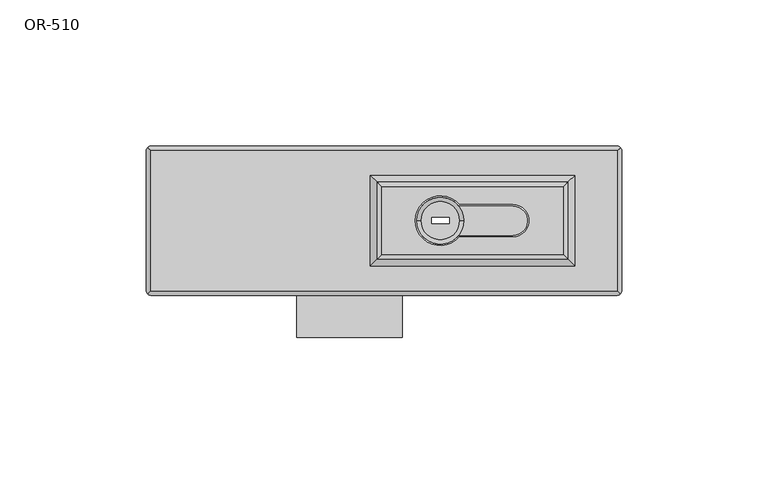
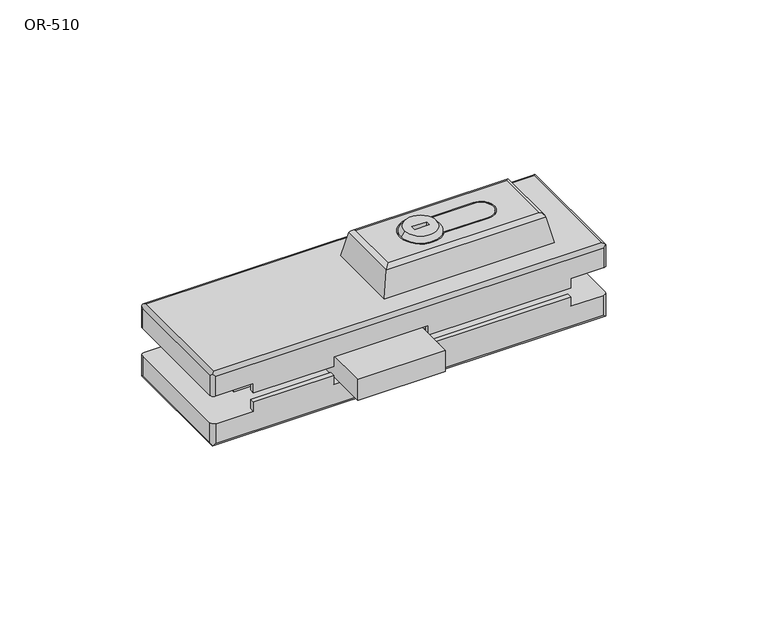
"""IFC4 building model written with IfcOpenShell, lengths in millimetres: proxy geometry, OR-510."""

from ifc_helpers import new_model, si_unit, point, frame, frame_2d, origin, place, context, project, spatial, polyline, circle_curve, ellipse_curve, trimmed, segment, composite_curve, outline, extrude, source, transform, mapped, element, save
from ifc_brep_helpers import plane_surface, cylinder_surface, revolved_surface, advanced_brep


def or_510_4e49e3fc(model_context):
    return source(origin(), model_context, "Body", "SolidModel", [
        extrude(outline(polyline([(6.0, 0.0), (6.0, -40.0), (-30.0, -40.0), (-30.0, 0.0), (6.0, 0.0)])), frame((0.0, 0.0, -10.5), z_axis=(0.0, 0.0, 1.0), x_axis=(1.0, 0.0, 0.0)), (0.0, 0.0, 1.0), 9.0),
        advanced_brep(
        [(25.5, 0.0, 24.0), (12.5, 0.0, 24.0), (16.0, -1.0, 24.0), (16.0, 1.0, 24.0), (22.0, 1.0, 24.0), (22.0, -1.0, 24.0), (27.0, 0.0, 22.0), (11.0, 0.0, 22.0), (22.0, -1.0, 22.0), (22.0, 1.0, 22.0), (16.0, 1.0, 22.0), (16.0, -1.0, 22.0)],
        [
            (0, 1, circle_curve(frame((19.0, 0.0, 24.0), z_axis=(0.0, 0.0, 1.0), x_axis=(-1.0, 0.0, 0.0)), 6.5)),
            (1, 0, circle_curve(frame((19.0, 0.0, 24.0), z_axis=(0.0, 0.0, 1.0), x_axis=(1.0, 0.0, 0.0)), 6.5)),
            (2, 3),
            (3, 4),
            (4, 5),
            (5, 2),
            (6, 7, circle_curve(frame((19.0, 0.0, 22.0), z_axis=(0.0, 0.0, -1.0), x_axis=(1.0, 0.0, 0.0)), 8.0)),
            (7, 6, circle_curve(frame((19.0, 0.0, 22.0), z_axis=(0.0, 0.0, -1.0), x_axis=(-1.0, 0.0, 0.0)), 8.0)),
            (8, 9),
            (9, 10),
            (10, 11),
            (11, 8),
            (0, 6),
            (7, 1),
            (11, 2),
            (5, 8),
            (4, 9),
            (3, 10),
        ],
        [
            plane_surface(frame((19.0, 0.0, 24.0), z_axis=(0.0, 0.0, 1.0), x_axis=(0.0, -1.0, 0.0))),
            plane_surface(frame((19.0, 0.0, 22.0), z_axis=(0.0, 0.0, -1.0), x_axis=(0.0, -1.0, 0.0))),
            revolved_surface(polyline([(25.5000000046875, 0.0, 24.0), (27.0, 0.0, 22.0)]), (19.0, 0.0, 32.6666667), (0.0, 0.0, -1.0)),
            revolved_surface(polyline([(12.4999999953125, 0.0, 24.0), (11.0, 0.0, 22.0)]), (19.0, 0.0, 32.6666667), (0.0, 0.0, -1.0)),
            plane_surface(frame((22.0, -1.0, 24.0), z_axis=(0.0, 1.0, 0.0), x_axis=(0.0, 0.0, -1.0))),
            plane_surface(frame((22.0, 1.0, 24.0), z_axis=(-1.0, 0.0, 0.0), x_axis=(0.0, 0.0, -1.0))),
            plane_surface(frame((16.0, 1.0, 24.0), z_axis=(0.0, -1.0, 0.0), x_axis=(0.0, 0.0, -1.0))),
            plane_surface(frame((16.0, -1.0, 24.0), z_axis=(1.0, 0.0, 0.0), x_axis=(0.0, 0.0, -1.0))),
        ],
        [
            (0, [[1, 2], [3, 4, 5, 6]]),
            (1, [[7, 8], [9, 10, 11, 12]]),
            (2, [[13, -8, 14, -1]]),
            (3, [[-14, -7, -13, -2]]),
            (4, [[-12, 15, -6, 16]]),
            (5, [[-5, 17, -9, -16]]),
            (6, [[-4, 18, -10, -17]]),
            (7, [[-3, -15, -11, -18]]),
        ],
    ),
        extrude(outline(composite_curve([segment(polyline([(43.8, -5.0), (25.244998, -5.0)]), True, "CONTINUOUS"), segment(trimmed(circle_curve(frame_2d((19.0, 0.0)), 8.0), [point((25.244998, -5.0))], [point((25.244998, 5.0))], False, "CARTESIAN"), True, "CONTINUOUS"), segment(polyline([(25.244998, 5.0), (43.8, 5.0)]), True, "CONTINUOUS"), segment(trimmed(circle_curve(frame_2d((43.8, 0.0)), 5.0), [point((43.8, 5.0))], [point((43.8, -5.0))], False, "CARTESIAN"), True, "CONTINUOUS")], self_intersect=False), holes=[polyline([(22.0, -1.0), (22.0, 1.0), (16.0, 1.0), (16.0, -1.0), (22.0, -1.0)])]), frame((0.0, 0.0, -24.0), z_axis=(0.0, 0.0, 1.0), x_axis=(1.0, 0.0, 0.0)), (0.0, 0.0, 1.0), 46.0),
        advanced_brep(
        [(19.0, -6.5, -26.0), (19.0, 6.5, -26.0), (22.0, -1.0, -26.0), (22.0, 1.0, -26.0), (16.0, 1.0, -26.0), (16.0, -1.0, -26.0), (19.0, -8.0, -24.0), (19.0, 8.0, -24.0), (16.0, -1.0, -24.0), (16.0, 1.0, -24.0), (22.0, 1.0, -24.0), (22.0, -1.0, -24.0)],
        [
            (0, 1, circle_curve(frame((19.0, 0.0, -26.0), z_axis=(0.0, 0.0, -1.0), x_axis=(0.0, 1.0, 0.0)), 6.5)),
            (1, 0, circle_curve(frame((19.0, 0.0, -26.0), z_axis=(0.0, 0.0, -1.0), x_axis=(0.0, -1.0, 0.0)), 6.5)),
            (2, 3),
            (3, 4),
            (4, 5),
            (5, 2),
            (6, 7, circle_curve(frame((19.0, 0.0, -24.0), z_axis=(0.0, 0.0, 1.0), x_axis=(0.0, -1.0, 0.0)), 8.0)),
            (7, 6, circle_curve(frame((19.0, 0.0, -24.0), z_axis=(0.0, 0.0, 1.0), x_axis=(0.0, 1.0, 0.0)), 8.0)),
            (8, 9),
            (9, 10),
            (10, 11),
            (11, 8),
            (0, 6),
            (7, 1),
            (5, 8),
            (11, 2),
            (10, 3),
            (9, 4),
        ],
        [
            plane_surface(frame((19.0, 0.0, -26.0), z_axis=(0.0, 0.0, -1.0), x_axis=(-1.0, 0.0, 0.0))),
            plane_surface(frame((19.0, 0.0, -24.0), z_axis=(0.0, 0.0, 1.0), x_axis=(-1.0, 0.0, 0.0))),
            revolved_surface(polyline([(19.0, -6.5000000046875, -26.0), (19.0, -8.0, -24.0)]), (19.0, 0.0, -34.6666667), (0.0, 0.0, 1.0)),
            revolved_surface(polyline([(19.0, 6.5000000046875, -26.0), (19.0, 8.0, -24.0)]), (19.0, 0.0, -34.6666667), (0.0, 0.0, 1.0)),
            plane_surface(frame((22.0, -1.0, 24.0), z_axis=(0.0, 1.0, 0.0), x_axis=(0.0, 0.0, -1.0))),
            plane_surface(frame((22.0, 1.0, 24.0), z_axis=(-1.0, 0.0, 0.0), x_axis=(0.0, 0.0, -1.0))),
            plane_surface(frame((16.0, 1.0, 24.0), z_axis=(0.0, -1.0, 0.0), x_axis=(0.0, 0.0, -1.0))),
            plane_surface(frame((16.0, -1.0, 24.0), z_axis=(1.0, 0.0, 0.0), x_axis=(0.0, 0.0, -1.0))),
        ],
        [
            (0, [[1, 2], [3, 4, 5, 6]]),
            (1, [[7, 8], [9, 10, 11, 12]]),
            (2, [[13, -8, 14, -1]]),
            (3, [[-14, -7, -13, -2]]),
            (4, [[-6, 15, -12, 16]]),
            (5, [[-11, 17, -3, -16]]),
            (6, [[-10, 18, -4, -17]]),
            (7, [[-9, -15, -5, -18]]),
        ],
    ),
        advanced_brep(
        [(43.8, -5.5, 10.0), (25.4807407, -5.5, 10.0), (25.4807407, -5.5, 22.0), (43.8, -5.5, 22.0), (43.8, 5.5, 22.0), (43.8, 5.5, 10.0), (25.4807407, 5.5, 22.0), (25.4807407, 5.5, 10.0), (-1.0, -11.5, 22.0), (61.0, -11.5, 22.0), (61.0, 11.5, 22.0), (-1.0, 11.5, 22.0), (65.0, -15.5, 10.0), (-5.0, -15.5, 10.0), (-5.0, 15.5, 10.0), (65.0, 15.5, 10.0), (62.8059314, -13.3059314, 20.5315294), (-2.8059314, -13.3059314, 20.5315294), (-2.8059314, 13.3059314, 20.5315294), (62.8059314, 13.3059314, 20.5315294)],
        [
            (0, 1),
            (1, 2),
            (2, 3),
            (3, 0),
            (3, 4, circle_curve(frame((43.8, 0.0, 22.0), z_axis=(0.0, 0.0, 1.0), x_axis=(-1.0, 0.0, 0.0)), 5.5)),
            (4, 5),
            (5, 0, circle_curve(frame((43.8, 0.0, 10.0), z_axis=(0.0, 0.0, -1.0), x_axis=(-1.0, 0.0, 0.0)), 5.5)),
            (4, 6),
            (6, 7),
            (7, 5),
            (6, 2, circle_curve(frame((19.0, 0.0, 22.0), z_axis=(0.0, 0.0, 1.0), x_axis=(-1.0, 0.0, 0.0)), 8.5)),
            (1, 7, circle_curve(frame((19.0, 0.0, 10.0), z_axis=(0.0, 0.0, -1.0), x_axis=(-1.0, 0.0, 0.0)), 8.5)),
            (8, 9),
            (9, 10),
            (10, 11),
            (11, 8),
            (12, 13),
            (13, 14),
            (14, 15),
            (15, 12),
            (12, 16),
            (16, 17),
            (17, 13),
            (17, 18),
            (18, 14),
            (18, 19),
            (19, 15),
            (19, 16),
            (11, 18, ellipse_curve(frame((-1.0, 11.5, 20.1552937), z_axis=(-0.7071067811865475, -0.7071067811865475, 0.0), x_axis=(0.7071067811865474, -0.7071067811865476, 0.0)), 2.6088087, 1.8447063)),
            (17, 8, ellipse_curve(frame((-1.0, -11.5, 20.1552937), z_axis=(-0.7071067811865475, 0.7071067811865475, 0.0), x_axis=(-0.7071067811865474, -0.7071067811865476, 0.0)), 2.6088087, 1.8447063)),
            (16, 9, ellipse_curve(frame((61.0, -11.5, 20.1552937), z_axis=(-0.7071067811865475, -0.7071067811865475, 0.0), x_axis=(0.7071067811865476, -0.7071067811865474, 0.0)), 2.6088087, 1.8447063)),
            (19, 10, ellipse_curve(frame((61.0, 11.5, 20.1552937), z_axis=(0.7071067811865475, -0.7071067811865475, 0.0), x_axis=(0.7071067811865474, 0.7071067811865476, 0.0)), 2.6088087, 1.8447063)),
        ],
        [
            plane_surface(frame((43.8, -5.5, 25.2814591), z_axis=(0.0, 1.0, 0.0), x_axis=(0.0, 0.0, -1.0))),
            revolved_surface(polyline([(38.3, 0.0, 22.0), (38.3, 0.0, 10.0)]), (43.8, 0.0, -22.0), (0.0, 0.0, 1.0)),
            plane_surface(frame((25.4807407, 5.5, 25.2814591), z_axis=(0.0, -1.0, 0.0), x_axis=(0.0, 0.0, -1.0))),
            revolved_surface(polyline([(10.5, 0.0, 22.0), (10.5, 0.0, 10.0)]), (19.0, 0.0, -22.0), (0.0, 0.0, 1.0)),
            plane_surface(frame((30.0, 0.0, 22.0), z_axis=(0.0, 0.0, 1.0), x_axis=(-1.0, 0.0, 0.0))),
            plane_surface(frame((30.0, 0.0, 10.0), z_axis=(0.0, 0.0, -1.0), x_axis=(-1.0, 0.0, 0.0))),
            plane_surface(frame((30.0, -15.5, 10.0), z_axis=(0.0, -0.9789804197375759, 0.20395425411214077), x_axis=(-1.0, 0.0, 0.0))),
            plane_surface(frame((-5.0, 0.0, 10.0), z_axis=(-0.9789804197375762, 0.0, 0.2039542541121396), x_axis=(0.0, 1.0, 0.0))),
            plane_surface(frame((30.0, 15.5, 10.0), z_axis=(0.0, 0.9789804197375765, 0.2039542541121376), x_axis=(1.0, 0.0, 0.0))),
            plane_surface(frame((65.0, 0.0, 10.0), z_axis=(0.9789804197375761, 0.0, 0.20395425411213994), x_axis=(0.0, -1.0, 0.0))),
            cylinder_surface(frame((-1.0, 13.0, 20.1552937), z_axis=(0.0, -1.0, 0.0), x_axis=(-1.0, 0.0, 0.0)), 1.8447063),
            cylinder_surface(frame((-2.5, -11.5, 20.1552937), z_axis=(1.0, 0.0, 0.0), x_axis=(0.0, -1.0, 0.0)), 1.8447063),
            cylinder_surface(frame((61.0, -13.0, 20.1552937), z_axis=(0.0, 1.0, 0.0), x_axis=(1.0, 0.0, 0.0)), 1.8447063),
            cylinder_surface(frame((62.5, 11.5, 20.1552937), z_axis=(-1.0, 0.0, 0.0), x_axis=(0.0, 1.0, 0.0)), 1.8447063),
        ],
        [
            (0, [[1, 2, 3, 4]]),
            (1, [[5, 6, 7, -4]]),
            (2, [[8, 9, 10, -6]]),
            (3, [[11, -2, 12, -9]]),
            (4, [[13, 14, 15, 16], [-11, -8, -5, -3]]),
            (5, [[17, 18, 19, 20], [-7, -10, -12, -1]]),
            (6, [[21, 22, 23, -17]]),
            (7, [[-23, 24, 25, -18]]),
            (8, [[-25, 26, 27, -19]]),
            (9, [[-27, 28, -21, -20]]),
            (10, [[-16, 29, -24, 30]]),
            (11, [[-22, 31, -13, -30]]),
            (12, [[-28, 32, -14, -31]]),
            (13, [[-15, -32, -26, -29]]),
        ],
    ),
        extrude(outline(polyline([(66.0, -11.5199676), (7.5, -11.5199676), (7.5, 0.0), (-31.5, 0.0), (-31.5, -11.5199676), (-64.5, -11.5199676), (-64.5, 25.5), (66.0, 25.5), (66.0, -11.5199676)]), holes=[composite_curve([segment(trimmed(circle_curve(frame_2d((43.8, 0.0)), 5.5), [point((43.8, -5.5))], [point((43.8, 5.5))], True, "CARTESIAN"), True, "CONTINUOUS"), segment(polyline([(43.8, 5.5), (25.4807407, 5.5)]), True, "CONTINUOUS"), segment(trimmed(circle_curve(frame_2d((19.0, 0.0)), 8.5), [point((25.4807407, 5.5))], [point((25.4807407, -5.5))], True, "CARTESIAN"), True, "CONTINUOUS"), segment(polyline([(25.4807407, -5.5), (43.8, -5.5)]), True, "CONTINUOUS")], self_intersect=False)]), frame((0.0, 0.0, -12.0), z_axis=(0.0, 0.0, 1.0), x_axis=(1.0, 0.0, 0.0)), (0.0, 0.0, 1.0), 12.0),
        advanced_brep(
        [(-80.0, -24.0, 10.0), (79.5, -24.0, 10.0), (79.5, 24.0, 10.0), (-80.0, 24.0, 10.0), (25.4807407, -5.5, 10.0), (25.4807407, 5.5, 10.0), (43.8, 5.5, 10.0), (43.8, -5.5, 10.0), (79.5, 25.5, 0.0), (81.0, 24.0, 0.0), (81.0, -24.0, 0.0), (79.5, -25.5, 0.0), (66.0, -25.5, 0.0), (66.0, -23.5, 0.0), (7.5, -23.5, 0.0), (7.5, -25.5, 0.0), (-31.5, -25.5, 0.0), (-31.5, -23.5, 0.0), (-64.5, -23.5, 0.0), (-64.5, -25.5, 0.0), (-80.0, -25.5, 0.0), (-81.5, -24.0, 0.0), (-81.5, 24.0, 0.0), (-80.0, 25.5, 0.0), (43.8, -5.5, 0.0), (43.8, 5.5, 0.0), (25.4807407, 5.5, 0.0), (25.4807407, -5.5, 0.0), (-80.0, 25.5, 8.5), (79.5, 25.5, 8.5), (-81.5, -24.0, 8.5), (-81.5, 24.0, 8.5), (79.5, -25.5, 8.5), (-80.0, -25.5, 8.5), (-64.5, -25.5, -4.0), (-31.5, -25.5, -4.0), (7.5, -25.5, -4.0), (66.0, -25.5, -4.0), (81.0, 24.0, 8.5), (81.0, -24.0, 8.5), (80.5606602, -25.0606602, 9.5606602), (80.5606602, 25.0606602, 9.5606602), (-81.0606602, -25.0606602, 9.5606602), (-81.0606602, 25.0606602, 9.5606602), (-31.5, -23.5, -4.0), (-64.5, -23.5, -4.0), (66.0, -23.5, -4.0), (7.5, -23.5, -4.0)],
        [
            (0, 1),
            (1, 2),
            (2, 3),
            (3, 0),
            (4, 5, circle_curve(frame((19.0, 0.0, 10.0), z_axis=(0.0, 0.0, -1.0), x_axis=(-1.0, 0.0, 0.0)), 8.5)),
            (5, 6),
            (6, 7, circle_curve(frame((43.8, 0.0, 10.0), z_axis=(0.0, 0.0, -1.0), x_axis=(-1.0, 0.0, 0.0)), 5.5)),
            (7, 4),
            (8, 9, circle_curve(frame((79.5, 24.0, 0.0), z_axis=(0.0, 0.0, -1.0), x_axis=(0.0, -1.0, 0.0)), 1.5)),
            (9, 10),
            (10, 11, circle_curve(frame((79.5, -24.0, 0.0), z_axis=(0.0, 0.0, -1.0), x_axis=(0.0, -1.0, 0.0)), 1.5)),
            (11, 12),
            (12, 13),
            (13, 14),
            (14, 15),
            (15, 16),
            (16, 17),
            (17, 18),
            (18, 19),
            (19, 20),
            (20, 21, circle_curve(frame((-80.0, -24.0, 0.0), z_axis=(0.0, 0.0, -1.0), x_axis=(0.0, -1.0, 0.0)), 1.5)),
            (21, 22),
            (22, 23, circle_curve(frame((-80.0, 24.0, 0.0), z_axis=(0.0, 0.0, -1.0), x_axis=(0.0, -1.0, 0.0)), 1.5)),
            (23, 8),
            (24, 25, circle_curve(frame((43.8, 0.0, 0.0), z_axis=(0.0, 0.0, 1.0), x_axis=(-1.0, 0.0, 0.0)), 5.5)),
            (25, 26),
            (26, 27, circle_curve(frame((19.0, 0.0, 0.0), z_axis=(0.0, 0.0, 1.0), x_axis=(-1.0, 0.0, 0.0)), 8.5)),
            (27, 24),
            (23, 28),
            (28, 29),
            (29, 8),
            (21, 30),
            (30, 31),
            (31, 22),
            (11, 32),
            (32, 33),
            (33, 20),
            (19, 34),
            (34, 35),
            (35, 16),
            (15, 36),
            (36, 37),
            (37, 12),
            (9, 38),
            (38, 39),
            (39, 10),
            (39, 40, ellipse_curve(frame((79.5, -24.0, 8.5), z_axis=(0.0, -0.7071067811865475, -0.7071067811865475), x_axis=(0.0, -0.7071067811865474, 0.7071067811865476)), 2.1213203, 1.5)),
            (40, 32, ellipse_curve(frame((79.5, -24.0, 8.5), z_axis=(0.7071067811865475, 0.0, -0.7071067811865475), x_axis=(0.7071067811865474, 0.0, 0.7071067811865476)), 2.1213203, 1.5)),
            (29, 41, ellipse_curve(frame((79.5, 24.0, 8.5), z_axis=(0.7071067811865475, 0.0, -0.7071067811865475), x_axis=(0.7071067811865474, 0.0, 0.7071067811865476)), 2.1213203, 1.5)),
            (41, 38, ellipse_curve(frame((79.5, 24.0, 8.5), z_axis=(0.0, 0.7071067811865475, -0.7071067811865475), x_axis=(0.0, 0.7071067811865474, 0.7071067811865476)), 2.1213203, 1.5)),
            (33, 42, ellipse_curve(frame((-80.0, -24.0, 8.5), z_axis=(-0.7071067811865475, 0.0, -0.7071067811865475), x_axis=(-0.7071067811865474, 0.0, 0.7071067811865476)), 2.1213203, 1.5)),
            (42, 30, ellipse_curve(frame((-80.0, -24.0, 8.5), z_axis=(0.0, -0.7071067811865475, -0.7071067811865475), x_axis=(0.0, -0.7071067811865474, 0.7071067811865476)), 2.1213203, 1.5)),
            (31, 43, ellipse_curve(frame((-80.0, 24.0, 8.5), z_axis=(0.0, 0.7071067811865475, -0.7071067811865475), x_axis=(0.0, 0.7071067811865474, 0.7071067811865476)), 2.1213203, 1.5)),
            (43, 28, ellipse_curve(frame((-80.0, 24.0, 8.5), z_axis=(-0.7071067811865475, 0.0, -0.7071067811865475), x_axis=(-0.7071067811865474, 0.0, 0.7071067811865476)), 2.1213203, 1.5)),
            (27, 4),
            (7, 24),
            (6, 25),
            (5, 26),
            (17, 44),
            (44, 45),
            (45, 18),
            (46, 47),
            (47, 14),
            (13, 46),
            (45, 34),
            (36, 47),
            (46, 37),
            (44, 35),
            (42, 0, ellipse_curve(frame((-80.0, -24.0, 8.5), z_axis=(-0.7071067811865475, 0.7071067811865475, 0.0), x_axis=(0.7071067811865474, 0.7071067811865476, 0.0)), 2.1213203, 1.5)),
            (3, 43, ellipse_curve(frame((-80.0, 24.0, 8.5), z_axis=(-0.7071067811865475, -0.7071067811865475, 0.0), x_axis=(-0.7071067811865474, 0.7071067811865476, 0.0)), 2.1213203, 1.5)),
            (2, 41, ellipse_curve(frame((79.5, 24.0, 8.5), z_axis=(-0.7071067811865475, 0.7071067811865475, 0.0), x_axis=(0.7071067811865476, 0.7071067811865474, 0.0)), 2.1213203, 1.5)),
            (1, 40, ellipse_curve(frame((79.5, -24.0, 8.5), z_axis=(0.7071067811865475, 0.7071067811865475, 0.0), x_axis=(0.7071067811865474, -0.7071067811865476, 0.0)), 2.1213203, 1.5)),
        ],
        [
            plane_surface(frame((81.0, 25.5, 10.0), z_axis=(0.0, 0.0, 1.0), x_axis=(0.0, -1.0, 0.0))),
            plane_surface(frame((81.0, 25.5, 0.0), z_axis=(0.0, 0.0, -1.0), x_axis=(0.0, 1.0, 0.0))),
            plane_surface(frame((-81.5, 25.5, 10.0), z_axis=(0.0, 1.0, 0.0), x_axis=(0.0, 0.0, -1.0))),
            plane_surface(frame((-81.5, -25.5, 10.0), z_axis=(-1.0, 0.0, 0.0), x_axis=(0.0, 0.0, -1.0))),
            plane_surface(frame((81.0, -25.5, 10.0), z_axis=(0.0, -1.0, 0.0), x_axis=(0.0, 0.0, -1.0))),
            plane_surface(frame((81.0, 25.5, 10.0), z_axis=(1.0, 0.0, 0.0), x_axis=(0.0, 0.0, -1.0))),
            cylinder_surface(frame((79.5, -24.0, 11.5175221), z_axis=(0.0, 0.0, 1.0), x_axis=(0.0, -1.0, 0.0)), 1.5),
            cylinder_surface(frame((79.5, 24.0, -12.0), z_axis=(0.0, 0.0, 1.0), x_axis=(0.0, -1.0, 0.0)), 1.5),
            cylinder_surface(frame((-80.0, -24.0, -12.0), z_axis=(0.0, 0.0, 1.0), x_axis=(0.0, -1.0, 0.0)), 1.5),
            cylinder_surface(frame((-80.0, 24.0, -12.0), z_axis=(0.0, 0.0, 1.0), x_axis=(0.0, -1.0, 0.0)), 1.5),
            plane_surface(frame((43.8, -5.5, 25.2814591), z_axis=(0.0, 1.0, 0.0), x_axis=(0.0, 0.0, -1.0))),
            revolved_surface(polyline([(38.3, 0.0, 10.0), (38.3, 0.0, 0.0)]), (43.8, 0.0, -22.0), (0.0, 0.0, 1.0)),
            plane_surface(frame((25.4807407, 5.5, 25.2814591), z_axis=(0.0, -1.0, 0.0), x_axis=(0.0, 0.0, -1.0))),
            revolved_surface(polyline([(10.5, 0.0, 10.0), (10.5, 0.0, 0.0)]), (19.0, 0.0, -22.0), (0.0, 0.0, 1.0)),
            plane_surface(frame((-64.5, -23.5, 0.0), z_axis=(0.0, 1.0, 0.0), x_axis=(-1.0, 0.0, 0.0))),
            plane_surface(frame((-64.5, -23.5, 0.0), z_axis=(-1.0, 0.0, 0.0), x_axis=(0.0, -1.0, 0.0))),
            plane_surface(frame((-64.5, -23.5, -4.0), z_axis=(0.0, 0.0, -1.0), x_axis=(0.0, -1.0, 0.0))),
            plane_surface(frame((66.0, -23.5, -4.0), z_axis=(1.0, 0.0, 0.0), x_axis=(0.0, -1.0, 0.0))),
            plane_surface(frame((-31.5, 0.0, 0.0), z_axis=(1.0, 0.0, 0.0), x_axis=(0.0, -1.0, 0.0))),
            plane_surface(frame((7.5, 0.0, -12.0), z_axis=(-1.0, 0.0, 0.0), x_axis=(0.0, -1.0, 0.0))),
            cylinder_surface(frame((-80.0, -25.5, 8.5), z_axis=(0.0, 1.0, 0.0), x_axis=(1.0, 0.0, 0.0)), 1.5),
            cylinder_surface(frame((-81.5, 24.0, 8.5), z_axis=(1.0, 0.0, 0.0), x_axis=(0.0, -1.0, 0.0)), 1.5),
            cylinder_surface(frame((79.5, 25.5, 8.5), z_axis=(0.0, -1.0, 0.0), x_axis=(-1.0, 0.0, 0.0)), 1.5),
            cylinder_surface(frame((81.0, -24.0, 8.5), z_axis=(-1.0, 0.0, 0.0), x_axis=(0.0, 1.0, 0.0)), 1.5),
        ],
        [
            (0, [[1, 2, 3, 4], [5, 6, 7, 8]]),
            (1, [[9, 10, 11, 12, 13, 14, 15, 16, 17, 18, 19, 20, 21, 22, 23, 24], [25, 26, 27, 28]]),
            (2, [[29, 30, 31, -24]]),
            (3, [[32, 33, 34, -22]]),
            (4, [[-12, 35, 36, 37, -20, 38, 39, 40, -16, 41, 42, 43]]),
            (5, [[44, 45, 46, -10]]),
            (6, [[-46, 47, 48, -35, -11]]),
            (7, [[-31, 49, 50, -44, -9]]),
            (8, [[-37, 51, 52, -32, -21]]),
            (9, [[-34, 53, 54, -29, -23]]),
            (10, [[-28, 55, -8, 56]]),
            (11, [[-7, 57, -25, -56]]),
            (12, [[-6, 58, -26, -57]]),
            (13, [[-5, -55, -27, -58]]),
            (14, [[-18, 59, 60, 61]]),
            (14, [[62, 63, -14, 64]]),
            (15, [[65, -38, -19, -61]]),
            (16, [[-42, 66, -62, 67]]),
            (16, [[-60, 68, -39, -65]]),
            (17, [[-13, -43, -67, -64]]),
            (18, [[-40, -68, -59, -17]]),
            (19, [[-63, -66, -41, -15]]),
            (20, [[-53, -33, -52, 69, -4, 70]]),
            (21, [[-3, 71, -49, -30, -54, -70]]),
            (22, [[-2, 72, -47, -45, -50, -71]]),
            (23, [[-1, -69, -51, -36, -48, -72]]),
        ],
    ),
        advanced_brep(
        [(79.5, -25.5, -12.0), (79.5, -25.5, -20.5), (80.5606602, -25.0606602, -21.5606602), (81.0, -24.0, -20.5), (81.0, -24.0, -12.0), (81.0, 24.0, -12.0), (81.0, 24.0, -20.5), (80.5606602, 25.0606602, -21.5606602), (79.5, 25.5, -20.5), (79.5, 25.5, -12.0), (-81.5, -24.0, -12.0), (-81.5, -24.0, -20.5), (-81.0606602, -25.0606602, -21.5606602), (-80.0, -25.5, -20.5), (-80.0, -25.5, -12.0), (-80.0, 25.5, -12.0), (-80.0, 25.5, -20.5), (-81.0606602, 25.0606602, -21.5606602), (-81.5, 24.0, -20.5), (-81.5, 24.0, -12.0), (43.8, -5.5, -22.0), (25.4807407, -5.5, -22.0), (25.4807407, -5.5, -12.0), (43.8, -5.5, -12.0), (43.8, 5.5, -12.0), (43.8, 5.5, -22.0), (25.4807407, 5.5, -12.0), (25.4807407, 5.5, -22.0), (66.0, -23.5, -12.0), (7.5, -23.5, -12.0), (7.5, -23.5, -8.0), (66.0, -23.5, -8.0), (-64.5, -23.5, -8.0), (-31.5, -23.5, -8.0), (-31.5, -23.5, -12.0), (-64.5, -23.5, -12.0), (66.0, -25.5, -8.0), (66.0, -25.5, -12.0), (7.5, -25.5, -8.0), (-64.5, -25.5, -8.0), (-31.5, -25.5, -8.0), (-64.5, -25.5, -12.0), (-31.5, -25.5, -12.0), (7.5, -25.5, -12.0), (-80.0, -24.0, -22.0), (-80.0, 24.0, -22.0), (79.5, 24.0, -22.0), (79.5, -24.0, -22.0)],
        [
            (0, 1),
            (1, 2, ellipse_curve(frame((79.5, -24.0, -20.5), z_axis=(0.7071067811865475, 0.0, 0.7071067811865475), x_axis=(-0.7071067811865474, 0.0, 0.7071067811865476)), 2.1213203, 1.5)),
            (2, 3, ellipse_curve(frame((79.5, -24.0, -20.5), z_axis=(0.0, -0.7071067811865475, 0.7071067811865475), x_axis=(0.0, 0.7071067811865474, 0.7071067811865476)), 2.1213203, 1.5)),
            (3, 4),
            (4, 0, circle_curve(frame((79.5, -24.0, -12.0), z_axis=(0.0, 0.0, -1.0), x_axis=(0.0, -1.0, 0.0)), 1.5)),
            (5, 6),
            (6, 7, ellipse_curve(frame((79.5, 24.0, -20.5), z_axis=(0.0, 0.7071067811865475, 0.7071067811865475), x_axis=(0.0, -0.7071067811865474, 0.7071067811865476)), 2.1213203, 1.5)),
            (7, 8, ellipse_curve(frame((79.5, 24.0, -20.5), z_axis=(0.7071067811865475, 0.0, 0.7071067811865475), x_axis=(-0.7071067811865474, 0.0, 0.7071067811865476)), 2.1213203, 1.5)),
            (8, 9),
            (9, 5, circle_curve(frame((79.5, 24.0, -12.0), z_axis=(0.0, 0.0, -1.0), x_axis=(0.0, -1.0, 0.0)), 1.5)),
            (10, 11),
            (11, 12, ellipse_curve(frame((-80.0, -24.0, -20.5), z_axis=(0.0, -0.7071067811865475, 0.7071067811865475), x_axis=(0.0, 0.7071067811865474, 0.7071067811865476)), 2.1213203, 1.5)),
            (12, 13, ellipse_curve(frame((-80.0, -24.0, -20.5), z_axis=(-0.7071067811865475, 0.0, 0.7071067811865475), x_axis=(0.7071067811865474, 0.0, 0.7071067811865476)), 2.1213203, 1.5)),
            (13, 14),
            (14, 10, circle_curve(frame((-80.0, -24.0, -12.0), z_axis=(0.0, 0.0, -1.0), x_axis=(0.0, -1.0, 0.0)), 1.5)),
            (15, 16),
            (16, 17, ellipse_curve(frame((-80.0, 24.0, -20.5), z_axis=(-0.7071067811865475, 0.0, 0.7071067811865475), x_axis=(0.7071067811865474, 0.0, 0.7071067811865476)), 2.1213203, 1.5)),
            (17, 18, ellipse_curve(frame((-80.0, 24.0, -20.5), z_axis=(0.0, 0.7071067811865475, 0.7071067811865475), x_axis=(0.0, -0.7071067811865474, 0.7071067811865476)), 2.1213203, 1.5)),
            (18, 19),
            (19, 15, circle_curve(frame((-80.0, 24.0, -12.0), z_axis=(0.0, 0.0, -1.0), x_axis=(0.0, -1.0, 0.0)), 1.5)),
            (20, 21),
            (21, 22),
            (22, 23),
            (23, 20),
            (23, 24, circle_curve(frame((43.8, 0.0, -12.0), z_axis=(0.0, 0.0, 1.0), x_axis=(-1.0, 0.0, 0.0)), 5.5)),
            (24, 25),
            (25, 20, circle_curve(frame((43.8, 0.0, -22.0), z_axis=(0.0, 0.0, -1.0), x_axis=(-1.0, 0.0, 0.0)), 5.5)),
            (24, 26),
            (26, 27),
            (27, 25),
            (26, 22, circle_curve(frame((19.0, 0.0, -12.0), z_axis=(0.0, 0.0, 1.0), x_axis=(-1.0, 0.0, 0.0)), 8.5)),
            (21, 27, circle_curve(frame((19.0, 0.0, -22.0), z_axis=(0.0, 0.0, -1.0), x_axis=(-1.0, 0.0, 0.0)), 8.5)),
            (28, 29),
            (29, 30),
            (30, 31),
            (31, 28),
            (32, 33),
            (33, 34),
            (34, 35),
            (35, 32),
            (31, 36),
            (36, 37),
            (37, 28),
            (30, 38),
            (38, 36),
            (39, 40),
            (40, 33),
            (32, 39),
            (35, 41),
            (41, 39),
            (9, 15),
            (19, 10),
            (14, 41),
            (34, 42),
            (42, 43),
            (43, 29),
            (37, 0),
            (4, 5),
            (44, 45),
            (45, 46),
            (46, 47),
            (47, 44),
            (8, 16),
            (18, 11),
            (13, 1),
            (38, 43),
            (42, 40),
            (3, 6),
            (12, 44, ellipse_curve(frame((-80.0, -24.0, -20.5), z_axis=(0.7071067811865475, -0.7071067811865475, 0.0), x_axis=(0.7071067811865476, 0.7071067811865474, 0.0)), 2.1213203, 1.5)),
            (47, 2, ellipse_curve(frame((79.5, -24.0, -20.5), z_axis=(-0.7071067811865475, -0.7071067811865475, 0.0), x_axis=(0.7071067811865476, -0.7071067811865474, 0.0)), 2.1213203, 1.5)),
            (46, 7, ellipse_curve(frame((79.5, 24.0, -20.5), z_axis=(0.7071067811865475, -0.7071067811865475, 0.0), x_axis=(0.7071067811865474, 0.7071067811865476, 0.0)), 2.1213203, 1.5)),
            (45, 17, ellipse_curve(frame((-80.0, 24.0, -20.5), z_axis=(0.7071067811865475, 0.7071067811865475, 0.0), x_axis=(-0.7071067811865476, 0.7071067811865474, 0.0)), 2.1213203, 1.5)),
        ],
        [
            cylinder_surface(frame((79.5, -24.0, 11.5175221), z_axis=(0.0, 0.0, 1.0), x_axis=(0.0, -1.0, 0.0)), 1.5),
            cylinder_surface(frame((79.5, 24.0, -12.0), z_axis=(0.0, 0.0, 1.0), x_axis=(0.0, -1.0, 0.0)), 1.5),
            cylinder_surface(frame((-80.0, -24.0, -12.0), z_axis=(0.0, 0.0, 1.0), x_axis=(0.0, -1.0, 0.0)), 1.5),
            cylinder_surface(frame((-80.0, 24.0, -12.0), z_axis=(0.0, 0.0, 1.0), x_axis=(0.0, -1.0, 0.0)), 1.5),
            plane_surface(frame((43.8, -5.5, 25.2814591), z_axis=(0.0, 1.0, 0.0), x_axis=(0.0, 0.0, -1.0))),
            revolved_surface(polyline([(38.3, 0.0, -12.0), (38.3, 0.0, -22.0)]), (43.8, 0.0, -22.0), (0.0, 0.0, 1.0)),
            plane_surface(frame((25.4807407, 5.5, 25.2814591), z_axis=(0.0, -1.0, 0.0), x_axis=(0.0, 0.0, -1.0))),
            revolved_surface(polyline([(10.5, 0.0, -12.0), (10.5, 0.0, -22.0)]), (19.0, 0.0, -22.0), (0.0, 0.0, 1.0)),
            plane_surface(frame((66.0, -23.5, -12.0), z_axis=(0.0, 1.0, 0.0), x_axis=(0.0, 0.0, 1.0))),
            plane_surface(frame((66.0, -23.5, -12.0), z_axis=(1.0, 0.0, 0.0), x_axis=(0.0, -1.0, 0.0))),
            plane_surface(frame((66.0, -23.5, -8.0), z_axis=(0.0, 0.0, 1.0), x_axis=(0.0, -1.0, 0.0))),
            plane_surface(frame((-64.5, -23.5, -8.0), z_axis=(-1.0, 0.0, 0.0), x_axis=(0.0, -1.0, 0.0))),
            plane_surface(frame((81.0, 25.5, -12.0), z_axis=(0.0, 0.0, 1.0), x_axis=(0.0, -1.0, 0.0))),
            plane_surface(frame((81.0, 25.5, -22.0), z_axis=(0.0, 0.0, -1.0), x_axis=(0.0, 1.0, 0.0))),
            plane_surface(frame((-81.5, 25.5, -12.0), z_axis=(0.0, 1.0, 0.0), x_axis=(0.0, 0.0, -1.0))),
            plane_surface(frame((-81.5, -25.5, -12.0), z_axis=(-1.0, 0.0, 0.0), x_axis=(0.0, 0.0, -1.0))),
            plane_surface(frame((81.0, -25.5, -12.0), z_axis=(0.0, -1.0, 0.0), x_axis=(0.0, 0.0, -1.0))),
            plane_surface(frame((81.0, 25.5, -12.0), z_axis=(1.0, 0.0, 0.0), x_axis=(0.0, 0.0, -1.0))),
            plane_surface(frame((-31.5, 0.0, 0.0), z_axis=(1.0, 0.0, 0.0), x_axis=(0.0, -1.0, 0.0))),
            plane_surface(frame((7.5, 0.0, -12.0), z_axis=(-1.0, 0.0, 0.0), x_axis=(0.0, -1.0, 0.0))),
            cylinder_surface(frame((-81.5, -24.0, -20.5), z_axis=(1.0, 0.0, 0.0), x_axis=(0.0, 1.0, 0.0)), 1.5),
            cylinder_surface(frame((79.5, -25.5, -20.5), z_axis=(0.0, 1.0, 0.0), x_axis=(-1.0, 0.0, 0.0)), 1.5),
            cylinder_surface(frame((81.0, 24.0, -20.5), z_axis=(-1.0, 0.0, 0.0), x_axis=(0.0, -1.0, 0.0)), 1.5),
            cylinder_surface(frame((-80.0, 25.5, -20.5), z_axis=(0.0, -1.0, 0.0), x_axis=(1.0, 0.0, 0.0)), 1.5),
        ],
        [
            (0, [[1, 2, 3, 4, 5]]),
            (1, [[6, 7, 8, 9, 10]]),
            (2, [[11, 12, 13, 14, 15]]),
            (3, [[16, 17, 18, 19, 20]]),
            (4, [[21, 22, 23, 24]]),
            (5, [[25, 26, 27, -24]]),
            (6, [[28, 29, 30, -26]]),
            (7, [[31, -22, 32, -29]]),
            (8, [[33, 34, 35, 36]]),
            (8, [[37, 38, 39, 40]]),
            (9, [[41, 42, 43, -36]]),
            (10, [[-35, 44, 45, -41]]),
            (10, [[46, 47, -37, 48]]),
            (11, [[49, 50, -48, -40]]),
            (12, [[-10, 51, -20, 52, -15, 53, -49, -39, 54, 55, 56, -33, -43, 57, -5, 58], [-31, -28, -25, -23]]),
            (13, [[59, 60, 61, 62], [-27, -30, -32, -21]]),
            (14, [[-9, 63, -16, -51]]),
            (15, [[-19, 64, -11, -52]]),
            (16, [[-53, -14, 65, -1, -57, -42, -45, 66, -55, 67, -46, -50]]),
            (17, [[-4, 68, -6, -58]]),
            (18, [[-38, -47, -67, -54]]),
            (19, [[-66, -44, -34, -56]]),
            (20, [[-2, -65, -13, 69, -62, 70]]),
            (21, [[-61, 71, -7, -68, -3, -70]]),
            (22, [[-60, 72, -17, -63, -8, -71]]),
            (23, [[-59, -69, -12, -64, -18, -72]]),
        ],
    ),
    ])


if __name__ == "__main__":
    model = new_model("IFC4")
    model_context = context("Model", 3, world=origin())
    ifc_project = project(units=[si_unit("LENGTHUNIT", "METRE", prefix="MILLI")], contexts=[model_context])
    site = spatial("IfcSite", under=ifc_project)
    building = spatial("IfcBuilding", under=site)
    placement = place(None, origin())
    or_510_shape = or_510_4e49e3fc(model_context)
    element("IfcBuildingElementProxy", 1, Name="OR-510", ObjectType="OR-510", at=placement, inside=building, context=model_context, shape_type="MappedRepresentation", body=[
        mapped(or_510_shape, transform((0.0, 0.0, 0.0), x_axis=(1.0, 0.0, 0.0), y_axis=(0.0, 1.0, 0.0), z_axis=(0.0, 0.0, 1.0))),
    ])
    save(model, "model.ifc")
